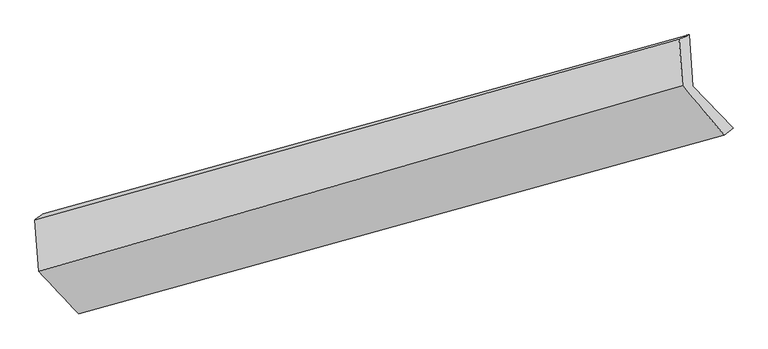
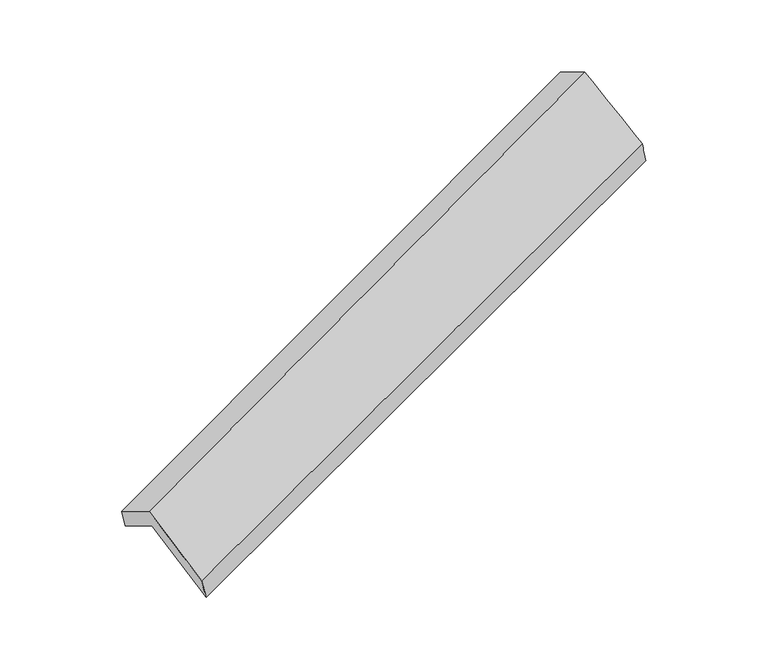
"""IFC4 building model written with IfcOpenShell, lengths in millimetres: proxy geometry."""

from ifc_helpers import new_model, si_unit, frame, origin, place, context, project, spatial, source, transform, mapped, element, save
from ifc_brep_helpers import plane_surface, spline_surface, advanced_brep


def generic_models_8bf4d8e6(model_context):
    return source(origin(), model_context, "Body", "AdvancedBrep", [
        advanced_brep(
        [(-5093.5904256, -2113.0260754, 1299.3387193), (-5118.3635975, -1768.3672919, 1100.8580996), (-760.2818688, -558.9002032, 2657.1306878), (-735.5086969, -903.5589867, 2855.6113075), (-5169.7123461, -1806.6530415, 1272.7971812), (-828.0999422, -588.1635287, 2867.7071429), (-5144.6654618, -2155.1198719, 1473.4707625), (-805.475209, -902.9319825, 3048.9746479), (-4872.7277595, -2441.5971707, 942.0653442), (-523.6342521, -1235.4631635, 2525.8239089), (-4815.5196802, -2405.9643305, 755.9484519), (-464.6519226, -1188.8975638, 2326.3181781)],
        [
            (0, 1),
            (1, 2),
            (2, 3),
            (3, 0),
            (1, 4),
            (4, 5),
            (5, 2),
            (4, 6),
            (6, 7),
            (7, 5),
            (6, 8),
            (8, 9),
            (9, 7),
            (8, 10),
            (10, 11),
            (11, 9),
            (10, 0),
            (3, 11),
        ],
        [
            plane_surface(frame((-5105.9770115, -1940.6966837, 1200.0984095), z_axis=(0.4073604681754189, -0.4335942205639209, -0.8037745335984896), x_axis=(-0.062166895407393945, 0.8649020250035744, -0.49807606272548643))),
            spline_surface(1, 1, [[(-5118.3635975, -1768.3672919, 1100.8580996), (-760.2818688, -558.9002032, 2657.1306878)], [(-5169.7123461, -1806.6530415, 1272.7971812), (-828.0999422, -588.1635287, 2867.7071429)]], [2, 2], [2, 2], [0.0, 1.0], [0.0, 1.0]),
            plane_surface(frame((-5157.188904, -1980.8864567, 1373.1339719), z_axis=(-0.4152841704445839, 0.43137446066255747, 0.8009089414323214), x_axis=(0.06216689540737131, -0.864902025003582, 0.4980760627254759))),
            spline_surface(1, 1, [[(-5144.6654618, -2155.1198719, 1473.4707625), (-805.475209, -902.9319825, 3048.9746479)], [(-4872.7277595, -2441.5971707, 942.0653442), (-523.6342521, -1235.4631635, 2525.8239089)]], [2, 2], [2, 2], [0.0, 1.0], [0.0, 1.0]),
            spline_surface(1, 1, [[(-4872.7277595, -2441.5971707, 942.0653442), (-523.6342521, -1235.4631635, 2525.8239089)], [(-4815.5196802, -2405.9643305, 755.9484519), (-464.6519226, -1188.8975638, 2326.3181781)]], [2, 2], [2, 2], [0.0, 1.0], [0.0, 1.0]),
            plane_surface(frame((-4954.5550529, -2259.495203, 1027.6435856), z_axis=(-0.062166895407378325, 0.8649020250035886, -0.498076062725464), x_axis=(-0.4107037471614004, 0.4326626983672563, 0.8025742467268366))),
            plane_surface(frame((-686.2753153, -896.3192381, 2713.5943122), z_axis=(0.9096470245007167, 0.25445525458555485, 0.3283212058804505), x_axis=(0.27666606946483496, 0.2184234082493962, -0.9358136036281994))),
            plane_surface(frame((-5035.7632118, -2115.121297, 1140.7464264), z_axis=(-0.9096470245007132, -0.25445525458561224, -0.32832120588041563), x_axis=(0.4107037471613999, -0.432662698367272, -0.8025742467268283))),
        ],
        [
            (0, [[1, 2, 3, 4]]),
            (1, [[5, 6, 7, -2]]),
            (2, [[8, 9, 10, -6]]),
            (3, [[11, 12, 13, -9]]),
            (4, [[14, 15, 16, -12]]),
            (5, [[17, -4, 18, -15]]),
            (6, [[-16, -18, -3, -7, -10, -13]]),
            (7, [[-17, -14, -11, -8, -5, -1]]),
        ],
    ),
    ])


if __name__ == "__main__":
    model = new_model("IFC4")
    model_context = context("Model", 3, world=origin())
    ifc_project = project(units=[si_unit("LENGTHUNIT", "METRE", prefix="MILLI")], contexts=[model_context])
    site = spatial("IfcSite", under=ifc_project)
    building = spatial("IfcBuilding", under=site)
    placement = place(None, origin())
    generic_models_shape = generic_models_8bf4d8e6(model_context)
    element("IfcBuildingElementProxy", 1, Name="Generic Models", at=placement, inside=building, context=model_context, shape_type="MappedRepresentation", body=[
        mapped(generic_models_shape, transform((0.0, 0.0, 0.0), x_axis=(1.0, 0.0, 0.0), y_axis=(0.0, 1.0, 0.0), z_axis=(0.0, 0.0, 1.0))),
    ])
    save(model, "model.ifc")
